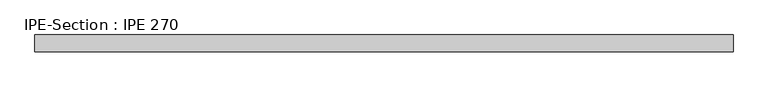
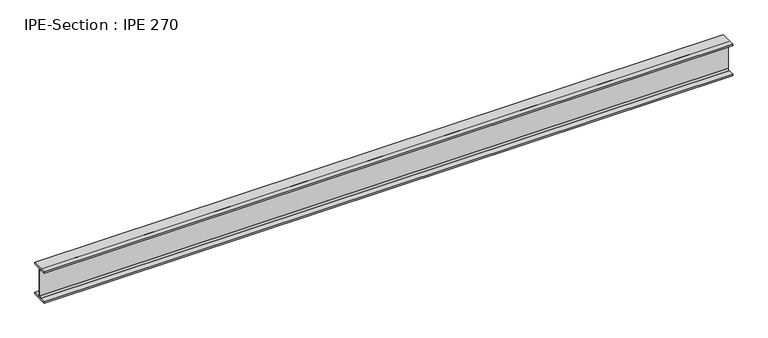
"""IFC4 building model written with IfcOpenShell, lengths in millimetres: beam geometry, IPE-Section : IPE 270."""

from ifc_helpers import new_model, si_unit, point, frame, frame_2d, origin, place, context, project, spatial, polyline, circle_curve, trimmed, segment, composite_curve, outline, extrude, source, transform, mapped, element, save


def ipe_section_ipe_270_a1b7599d(model_context):
    return source(origin(), model_context, "Body", "SweptSolid", [
        extrude(outline(composite_curve([segment(polyline([(67.5, -124.8), (67.5, -135.0), (-67.5, -135.0), (-67.5, -124.8), (-18.3, -124.8)]), True, "CONTINUOUS"), segment(trimmed(circle_curve(frame_2d((-18.3, -109.8)), 15.0), [point((-18.3, -124.8))], [point((-3.3, -109.8))], True, "CARTESIAN"), True, "CONTINUOUS"), segment(polyline([(-3.3, -109.8), (-3.3, 109.8)]), True, "CONTINUOUS"), segment(trimmed(circle_curve(frame_2d((-18.3, 109.8)), 15.0), [point((-3.3, 109.8))], [point((-18.3, 124.8))], True, "CARTESIAN"), True, "CONTINUOUS"), segment(polyline([(-18.3, 124.8), (-67.5, 124.8), (-67.5, 135.0), (67.5, 135.0), (67.5, 124.8), (18.3, 124.8)]), True, "CONTINUOUS"), segment(trimmed(circle_curve(frame_2d((18.3, 109.8)), 15.0), [point((18.3, 124.8))], [point((3.3, 109.8))], True, "CARTESIAN"), True, "CONTINUOUS"), segment(polyline([(3.3, 109.8), (3.3, -109.8)]), True, "CONTINUOUS"), segment(trimmed(circle_curve(frame_2d((18.3, -109.8)), 15.0), [point((3.3, -109.8))], [point((18.3, -124.8))], True, "CARTESIAN"), True, "CONTINUOUS"), segment(polyline([(18.3, -124.8), (67.5, -124.8)]), True, "CONTINUOUS")], self_intersect=False)), frame((-2778.725374, 0.0, 0.0), z_axis=(1.0, 0.0, 0.0), x_axis=(0.0, 1.0, 0.0)), (0.0, 0.0, 1.0), 5646.5446398),
    ])


if __name__ == "__main__":
    model = new_model("IFC4")
    model_context = context("Model", 3, world=origin())
    ifc_project = project(units=[si_unit("LENGTHUNIT", "METRE", prefix="MILLI")], contexts=[model_context])
    site = spatial("IfcSite", under=ifc_project)
    building = spatial("IfcBuilding", under=site)
    placement = place(None, origin())
    ipe_section_ipe_270_shape = ipe_section_ipe_270_a1b7599d(model_context)
    element("IfcBeam", 1, ObjectType="IPE-Section : IPE 270", at=placement, inside=building, context=model_context, shape_type="MappedRepresentation", body=[
        mapped(ipe_section_ipe_270_shape, transform((0.0, 0.0, 0.0), x_axis=(1.0, 0.0, 0.0), y_axis=(0.0, 1.0, 0.0), z_axis=(0.0, 0.0, 1.0))),
    ])
    save(model, "model.ifc")
